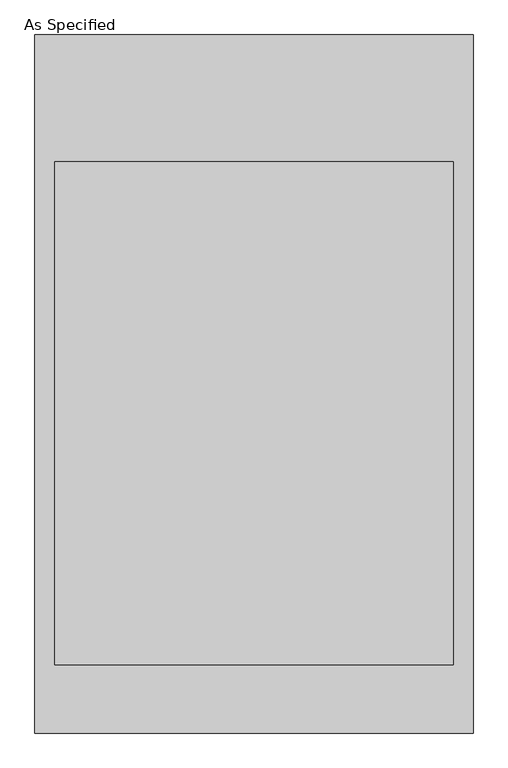
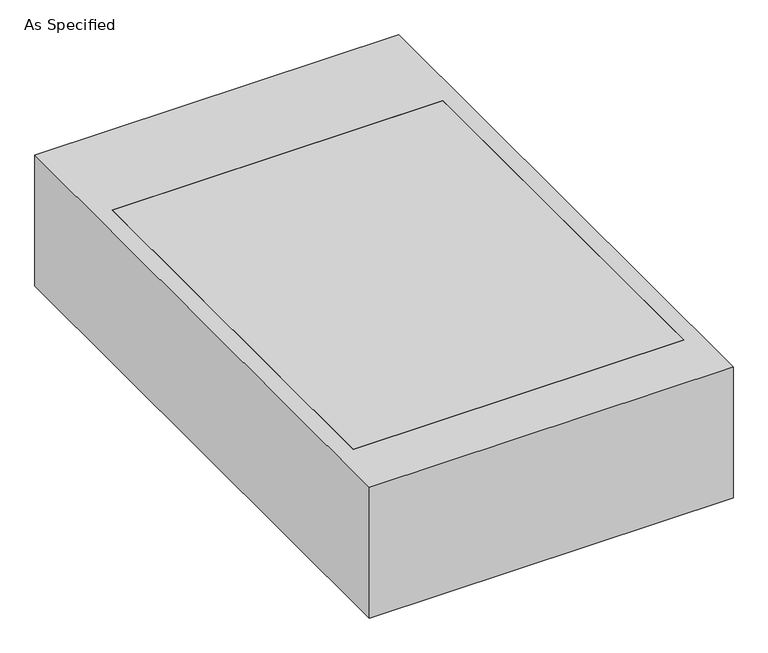
"""IFC4 building model written with IfcOpenShell, lengths in millimetres: proxy geometry, As Specified."""

from ifc_helpers import new_model, si_unit, frame, origin, place, context, project, spatial, polyline, outline, extrude, source, transform, mapped, element, save


def as_specified_72658863(model_context):
    return source(origin(), model_context, "Body", "SweptSolid", [
        extrude(outline(polyline([(-663.575, -1057.275), (-663.575, 1057.275), (663.575, 1057.275), (663.575, -1057.275), (-663.575, -1057.275)]), holes=[polyline([(603.25, 673.1), (-603.25, 673.1), (-603.25, -850.9), (603.25, -850.9), (603.25, 673.1)])]), frame((0.0, 0.0, -530.225), z_axis=(0.0, 0.0, 1.0), x_axis=(1.0, 0.0, 0.0)), (0.0, 0.0, 1.0), 504.825),
        extrude(outline(polyline([(603.25, 673.1), (603.25, -850.9), (-603.25, -850.9), (-603.25, 673.1), (603.25, 673.1)])), frame((0.0, 0.0, -530.225), z_axis=(0.0, 0.0, 1.0), x_axis=(1.0, 0.0, 0.0)), (0.0, 0.0, 1.0), 504.825),
    ])


if __name__ == "__main__":
    model = new_model("IFC4")
    model_context = context("Model", 3, world=origin())
    ifc_project = project(units=[si_unit("LENGTHUNIT", "METRE", prefix="MILLI")], contexts=[model_context])
    site = spatial("IfcSite", under=ifc_project)
    building = spatial("IfcBuilding", under=site)
    placement = place(None, origin())
    as_specified_shape = as_specified_72658863(model_context)
    element("IfcBuildingElementProxy", 1, Name="As Specified", ObjectType="As Specified", at=placement, inside=building, context=model_context, shape_type="MappedRepresentation", body=[
        mapped(as_specified_shape, transform((0.0, 0.0, 0.0), x_axis=(1.0, 0.0, 0.0), y_axis=(0.0, 1.0, 0.0), z_axis=(0.0, 0.0, 1.0))),
    ])
    save(model, "model.ifc")
